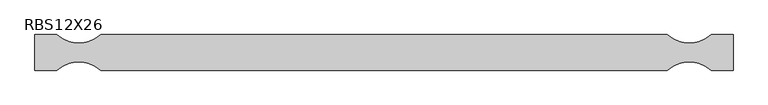
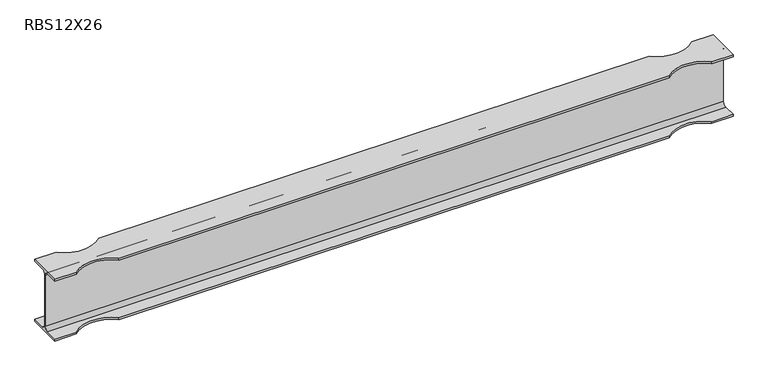
"""IFC4 building model written with IfcOpenShell, lengths in millimetres: beam geometry, RBS12X26."""

from ifc_helpers import new_model, si_unit, frame, origin, place, context, project, spatial, polyline, circle_curve, source, transform, mapped, element, save
from ifc_brep_helpers import plane_surface, revolved_surface, advanced_brep


def rbs12x26_c494f225(model_context):
    return source(origin(), model_context, "Body", "AdvancedBrep", [
        advanced_brep(
        [(1614.6731301, 82.4011719, -145.5539063), (1614.6731301, 20.2902344, -145.5539063), (1614.6731301, 2.9269531, -128.190625), (1614.6731301, 2.9269531, 128.190625), (1614.6731301, 20.2902344, 145.5539062), (1614.6731301, 82.4011719, 145.5539062), (1614.6731301, 82.4011719, 155.178125), (1614.6731301, -82.4011719, 155.178125), (1614.6731301, -82.4011719, 145.5539062), (1614.6731301, -20.2902344, 145.5539062), (1614.6731301, -2.9269531, 128.190625), (1614.6731301, -2.9269531, -128.190625), (1614.6731301, -20.2902344, -145.5539063), (1614.6731301, -82.4011719, -145.5539063), (1614.6731301, -82.4011719, -155.178125), (1614.6731301, 82.4011719, -155.178125), (-1614.6731301, 82.4011719, -145.5539063), (-1614.6731301, 82.4011719, -155.178125), (-1614.6731301, -82.4011719, -155.178125), (-1614.6731301, -82.4011719, -145.5539063), (-1614.6731301, -20.2902344, -145.5539063), (-1614.6731301, -2.9269531, -128.190625), (-1614.6731301, -2.9269531, 128.190625), (-1614.6731301, -20.2902344, 145.5539062), (-1614.6731301, -82.4011719, 145.5539062), (-1614.6731301, -82.4011719, 155.178125), (-1614.6731301, 82.4011719, 155.178125), (-1614.6731301, 82.4011719, 145.5539062), (-1614.6731301, 20.2902344, 145.5539062), (-1614.6731301, 2.9269531, 128.190625), (-1614.6731301, 2.9269531, -128.190625), (-1614.6731301, 20.2902344, -145.5539063), (1513.0731301, 82.4011719, -145.5539063), (1309.8731301, 82.4011719, -145.5539063), (-1309.8731301, 82.4011719, -145.5539063), (-1513.0731301, 82.4011719, -145.5539063), (-1513.0731301, 82.4011719, 145.5539062), (-1309.8731301, 82.4011719, 145.5539062), (1309.8731301, 82.4011719, 145.5539062), (1513.0731301, 82.4011719, 145.5539062), (1513.0731301, 82.4011719, 155.178125), (-1513.0731301, 82.4011719, 155.178125), (-1309.8731301, 82.4011719, 155.178125), (1309.8731301, 82.4011719, 155.178125), (-1513.0731301, -82.4011719, 155.178125), (-1309.8731301, -82.4011719, 155.178125), (1309.8731301, -82.4011719, 155.178125), (1513.0731301, -82.4011719, 155.178125), (1513.0731301, -82.4011719, 145.5539062), (-1513.0731301, -82.4011719, 145.5539062), (-1309.8731301, -82.4011719, 145.5539062), (1309.8731301, -82.4011719, 145.5539062), (-1513.0731301, -82.4011719, -145.5539063), (-1309.8731301, -82.4011719, -145.5539063), (1309.8731301, -82.4011719, -145.5539063), (1513.0731301, -82.4011719, -145.5539063), (1513.0731301, -82.4011719, -155.178125), (-1513.0731301, -82.4011719, -155.178125), (-1309.8731301, -82.4011719, -155.178125), (1309.8731301, -82.4011719, -155.178125), (-1513.0731301, 82.4011719, -155.178125), (-1309.8731301, 82.4011719, -155.178125), (1309.8731301, 82.4011719, -155.178125), (1513.0731301, 82.4011719, -155.178125)],
        [
            (0, 1),
            (1, 2, circle_curve(frame((1614.6731301, 20.2902344, -128.190625), z_axis=(-1.0, 0.0, 0.0), x_axis=(0.0, -1.0, 0.0)), 17.3632812)),
            (2, 3),
            (3, 4, circle_curve(frame((1614.6731301, 20.2902344, 128.190625), z_axis=(-1.0, 0.0, 0.0), x_axis=(0.0, -1.0, 0.0)), 17.3632812)),
            (4, 5),
            (5, 6),
            (6, 7),
            (7, 8),
            (8, 9),
            (9, 10, circle_curve(frame((1614.6731301, -20.2902344, 128.190625), z_axis=(-1.0, 0.0, 0.0), x_axis=(0.0, -1.0, 0.0)), 17.3632812)),
            (10, 11),
            (11, 12, circle_curve(frame((1614.6731301, -20.2902344, -128.190625), z_axis=(-1.0, 0.0, 0.0), x_axis=(0.0, -1.0, 0.0)), 17.3632812)),
            (12, 13),
            (13, 14),
            (14, 15),
            (15, 0),
            (16, 17),
            (17, 18),
            (18, 19),
            (19, 20),
            (20, 21, circle_curve(frame((-1614.6731301, -20.2902344, -128.190625), z_axis=(1.0, 0.0, 0.0), x_axis=(0.0, -1.0, 0.0)), 17.3632812)),
            (21, 22),
            (22, 23, circle_curve(frame((-1614.6731301, -20.2902344, 128.190625), z_axis=(1.0, 0.0, 0.0), x_axis=(0.0, -1.0, 0.0)), 17.3632812)),
            (23, 24),
            (24, 25),
            (25, 26),
            (26, 27),
            (27, 28),
            (28, 29, circle_curve(frame((-1614.6731301, 20.2902344, 128.190625), z_axis=(1.0, 0.0, 0.0), x_axis=(0.0, -1.0, 0.0)), 17.3632812)),
            (29, 30),
            (30, 31, circle_curve(frame((-1614.6731301, 20.2902344, -128.190625), z_axis=(1.0, 0.0, 0.0), x_axis=(0.0, -1.0, 0.0)), 17.3632812)),
            (31, 16),
            (0, 32),
            (32, 33, circle_curve(frame((1411.4731301, 195.9934251, -145.5539063), z_axis=(0.0, 0.0, -1.0), x_axis=(0.0, 1.0, 0.0)), 152.4)),
            (33, 34),
            (34, 35, circle_curve(frame((-1411.4731301, 195.9934251, -145.5539063), z_axis=(0.0, 0.0, -1.0), x_axis=(0.0, 1.0, 0.0)), 152.4)),
            (35, 16),
            (31, 1),
            (30, 2),
            (29, 3),
            (28, 4),
            (27, 36),
            (36, 37, circle_curve(frame((-1411.4731301, 195.9934251, 145.5539062), z_axis=(0.0, 0.0, 1.0), x_axis=(0.0, 1.0, 0.0)), 152.4)),
            (37, 38),
            (38, 39, circle_curve(frame((1411.4731301, 195.9934251, 145.5539062), z_axis=(0.0, 0.0, 1.0), x_axis=(0.0, 1.0, 0.0)), 152.4)),
            (39, 5),
            (39, 40),
            (40, 6),
            (26, 41),
            (41, 36),
            (37, 42),
            (42, 43),
            (43, 38),
            (40, 43, circle_curve(frame((1411.4731301, 195.9934251, 155.178125), z_axis=(0.0, 0.0, -1.0), x_axis=(0.0, 1.0, 0.0)), 152.4)),
            (42, 41, circle_curve(frame((-1411.4731301, 195.9934251, 155.178125), z_axis=(0.0, 0.0, -1.0), x_axis=(0.0, 1.0, 0.0)), 152.4)),
            (25, 44),
            (44, 45, circle_curve(frame((-1411.4731301, -195.9934251, 155.178125), z_axis=(0.0, 0.0, -1.0), x_axis=(0.0, 1.0, 0.0)), 152.4)),
            (45, 46),
            (46, 47, circle_curve(frame((1411.4731301, -195.9934251, 155.178125), z_axis=(0.0, 0.0, -1.0), x_axis=(0.0, 1.0, 0.0)), 152.4)),
            (47, 7),
            (47, 48),
            (48, 8),
            (24, 49),
            (49, 44),
            (45, 50),
            (50, 51),
            (51, 46),
            (48, 51, circle_curve(frame((1411.4731301, -195.9934251, 145.5539062), z_axis=(0.0, 0.0, 1.0), x_axis=(0.0, 1.0, 0.0)), 152.4)),
            (50, 49, circle_curve(frame((-1411.4731301, -195.9934251, 145.5539062), z_axis=(0.0, 0.0, 1.0), x_axis=(0.0, 1.0, 0.0)), 152.4)),
            (23, 9),
            (22, 10),
            (21, 11),
            (20, 12),
            (19, 52),
            (52, 53, circle_curve(frame((-1411.4731301, -195.9934251, -145.5539063), z_axis=(0.0, 0.0, -1.0), x_axis=(0.0, 1.0, 0.0)), 152.4)),
            (53, 54),
            (54, 55, circle_curve(frame((1411.4731301, -195.9934251, -145.5539063), z_axis=(0.0, 0.0, -1.0), x_axis=(0.0, 1.0, 0.0)), 152.4)),
            (55, 13),
            (55, 56),
            (56, 14),
            (18, 57),
            (57, 52),
            (53, 58),
            (58, 59),
            (59, 54),
            (56, 59, circle_curve(frame((1411.4731301, -195.9934251, -155.178125), z_axis=(0.0, 0.0, 1.0), x_axis=(0.0, 1.0, 0.0)), 152.4)),
            (58, 57, circle_curve(frame((-1411.4731301, -195.9934251, -155.178125), z_axis=(0.0, 0.0, 1.0), x_axis=(0.0, 1.0, 0.0)), 152.4)),
            (17, 60),
            (60, 61, circle_curve(frame((-1411.4731301, 195.9934251, -155.178125), z_axis=(0.0, 0.0, 1.0), x_axis=(0.0, 1.0, 0.0)), 152.4)),
            (61, 62),
            (62, 63, circle_curve(frame((1411.4731301, 195.9934251, -155.178125), z_axis=(0.0, 0.0, 1.0), x_axis=(0.0, 1.0, 0.0)), 152.4)),
            (63, 15),
            (63, 32),
            (35, 60),
            (61, 34),
            (33, 62),
        ],
        [
            plane_surface(frame((1614.6731301, 0.0, 0.0), z_axis=(1.0, 0.0, 0.0), x_axis=(0.0, 0.0, 1.0))),
            plane_surface(frame((-1614.6731301, 0.0, 0.0), z_axis=(-1.0, 0.0, 0.0), x_axis=(0.0, 0.0, 1.0))),
            plane_surface(frame((1614.6731301, 82.4011719, -145.5539063), z_axis=(0.0, 0.0, 1.0), x_axis=(-1.0, 0.0, 0.0))),
            revolved_surface(polyline([(-1614.6731301, 2.9269532, -128.190625), (1614.6731301, 2.9269532, -128.190625)]), (1614.6731301, 20.2902344, -128.190625), (-1.0, 0.0, 0.0)),
            plane_surface(frame((1614.6731301, 2.9269531, -128.190625), z_axis=(0.0, 1.0, 0.0), x_axis=(-1.0, 0.0, 0.0))),
            revolved_surface(polyline([(-1614.6731301, 2.9269532, 128.190625), (1614.6731301, 2.9269532, 128.190625)]), (1614.6731301, 20.2902344, 128.190625), (-1.0, 0.0, 0.0)),
            plane_surface(frame((1614.6731301, 20.2902344, 145.5539062), z_axis=(0.0, 0.0, -1.0), x_axis=(-1.0, 0.0, 0.0))),
            plane_surface(frame((1614.6731301, 82.4011719, 145.5539062), z_axis=(0.0, 1.0, 0.0), x_axis=(-1.0, 0.0, 0.0))),
            plane_surface(frame((1614.6731301, 82.4011719, 155.178125), z_axis=(0.0, 0.0, 1.0), x_axis=(-1.0, 0.0, 0.0))),
            plane_surface(frame((1614.6731301, -82.4011719, 155.178125), z_axis=(0.0, -1.0, 0.0), x_axis=(-1.0, 0.0, 0.0))),
            plane_surface(frame((1614.6731301, -82.4011719, 145.5539062), z_axis=(0.0, 0.0, -1.0), x_axis=(-1.0, 0.0, 0.0))),
            revolved_surface(polyline([(-1614.6731301, -37.6535156, 128.190625), (1614.6731301, -37.6535156, 128.190625)]), (1614.6731301, -20.2902344, 128.190625), (-1.0, 0.0, 0.0)),
            plane_surface(frame((1614.6731301, -2.9269531, 128.190625), z_axis=(0.0, -1.0, 0.0), x_axis=(-1.0, 0.0, 0.0))),
            revolved_surface(polyline([(-1614.6731301, -37.6535156, -128.190625), (1614.6731301, -37.6535156, -128.190625)]), (1614.6731301, -20.2902344, -128.190625), (-1.0, 0.0, 0.0)),
            plane_surface(frame((1614.6731301, -20.2902344, -145.5539063), z_axis=(0.0, 0.0, 1.0), x_axis=(-1.0, 0.0, 0.0))),
            plane_surface(frame((1614.6731301, -82.4011719, -145.5539063), z_axis=(0.0, -1.0, 0.0), x_axis=(-1.0, 0.0, 0.0))),
            plane_surface(frame((1614.6731301, -82.4011719, -155.178125), z_axis=(0.0, 0.0, -1.0), x_axis=(-1.0, 0.0, 0.0))),
            plane_surface(frame((1614.6731301, 82.4011719, -155.178125), z_axis=(0.0, 1.0, 0.0), x_axis=(-1.0, 0.0, 0.0))),
            revolved_surface(polyline([(-1411.4731301, -43.59342509999999, 155.178125), (-1411.4731301, -43.59342509999999, 145.5539062)]), (-1411.4731301, -195.9934251, -155.178125), (0.0, 0.0, 1.0)),
            revolved_surface(polyline([(-1411.4731301, -43.59342509999999, -145.5539063), (-1411.4731301, -43.59342509999999, -155.178125)]), (-1411.4731301, -195.9934251, -155.178125), (0.0, 0.0, 1.0)),
            revolved_surface(polyline([(-1411.4731301, 348.3934251, -145.5539063), (-1411.4731301, 348.3934251, -155.178125)]), (-1411.4731301, 195.9934251, -155.178125), (0.0, 0.0, 1.0)),
            revolved_surface(polyline([(-1411.4731301, 348.3934251, 155.178125), (-1411.4731301, 348.3934251, 145.5539062)]), (-1411.4731301, 195.9934251, -155.178125), (0.0, 0.0, 1.0)),
            revolved_surface(polyline([(1411.4731301, -43.59342509999999, 155.178125), (1411.4731301, -43.59342509999999, 145.5539062)]), (1411.4731301, -195.9934251, -155.178125), (0.0, 0.0, 1.0)),
            revolved_surface(polyline([(1411.4731301, -43.59342509999999, -145.5539063), (1411.4731301, -43.59342509999999, -155.178125)]), (1411.4731301, -195.9934251, -155.178125), (0.0, 0.0, 1.0)),
            revolved_surface(polyline([(1411.4731301, 348.3934251, -145.5539063), (1411.4731301, 348.3934251, -155.178125)]), (1411.4731301, 195.9934251, -155.178125), (0.0, 0.0, 1.0)),
            revolved_surface(polyline([(1411.4731301, 348.3934251, 155.178125), (1411.4731301, 348.3934251, 145.5539062)]), (1411.4731301, 195.9934251, -155.178125), (0.0, 0.0, 1.0)),
        ],
        [
            (0, [[1, 2, 3, 4, 5, 6, 7, 8, 9, 10, 11, 12, 13, 14, 15, 16]]),
            (1, [[17, 18, 19, 20, 21, 22, 23, 24, 25, 26, 27, 28, 29, 30, 31, 32]]),
            (2, [[-1, 33, 34, 35, 36, 37, -32, 38]]),
            (3, [[-2, -38, -31, 39]]),
            (4, [[-3, -39, -30, 40]]),
            (5, [[-4, -40, -29, 41]]),
            (6, [[-5, -41, -28, 42, 43, 44, 45, 46]]),
            (7, [[-6, -46, 47, 48]]),
            (7, [[-27, 49, 50, -42]]),
            (7, [[51, 52, 53, -44]]),
            (8, [[-7, -48, 54, -52, 55, -49, -26, 56, 57, 58, 59, 60]]),
            (9, [[-8, -60, 61, 62]]),
            (9, [[-25, 63, 64, -56]]),
            (9, [[65, 66, 67, -58]]),
            (10, [[-9, -62, 68, -66, 69, -63, -24, 70]]),
            (11, [[-10, -70, -23, 71]]),
            (12, [[-11, -71, -22, 72]]),
            (13, [[-12, -72, -21, 73]]),
            (14, [[-13, -73, -20, 74, 75, 76, 77, 78]]),
            (15, [[-14, -78, 79, 80]]),
            (15, [[-19, 81, 82, -74]]),
            (15, [[83, 84, 85, -76]]),
            (16, [[-15, -80, 86, -84, 87, -81, -18, 88, 89, 90, 91, 92]]),
            (17, [[-16, -92, 93, -33]]),
            (17, [[-17, -37, 94, -88]]),
            (17, [[95, -35, 96, -90]]),
            (18, [[-57, -64, -69, -65]]),
            (19, [[-75, -82, -87, -83]]),
            (20, [[-36, -95, -89, -94]]),
            (21, [[-43, -50, -55, -51]]),
            (22, [[-59, -67, -68, -61]]),
            (23, [[-77, -85, -86, -79]]),
            (24, [[-34, -93, -91, -96]]),
            (25, [[-45, -53, -54, -47]]),
        ],
    ),
    ])


if __name__ == "__main__":
    model = new_model("IFC4")
    model_context = context("Model", 3, world=origin())
    ifc_project = project(units=[si_unit("LENGTHUNIT", "METRE", prefix="MILLI")], contexts=[model_context])
    site = spatial("IfcSite", under=ifc_project)
    building = spatial("IfcBuilding", under=site)
    placement = place(None, origin())
    rbs12x26_shape = rbs12x26_c494f225(model_context)
    element("IfcBeam", 1, ObjectType="RBS12X26", at=placement, inside=building, context=model_context, shape_type="MappedRepresentation", body=[
        mapped(rbs12x26_shape, transform((0.0, 0.0, 0.0), x_axis=(1.0, 0.0, 0.0), y_axis=(0.0, 1.0, 0.0), z_axis=(0.0, 0.0, 1.0))),
    ])
    save(model, "model.ifc")
